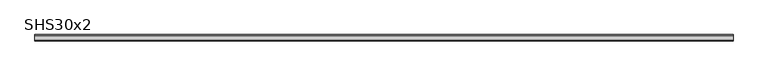
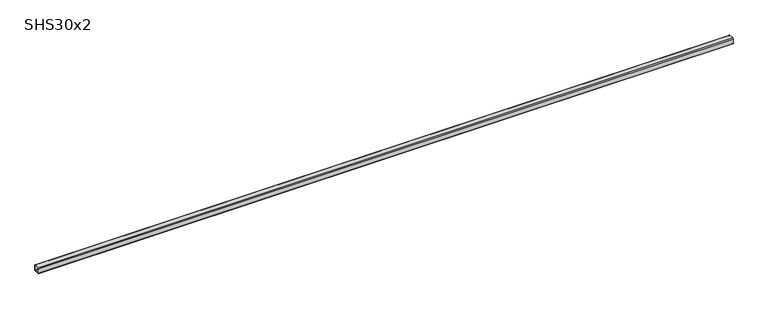
"""IFC4 building model written with IfcOpenShell, lengths in millimetres: beam geometry, SHS30x2."""

from ifc_helpers import new_model, si_unit, point, frame, frame_2d, origin, place, context, project, spatial, polyline, circle_curve, trimmed, segment, composite_curve, outline, extrude, source, transform, mapped, element, save


def shs30x2_304e9c3b(model_context):
    return source(origin(), model_context, "Body", "SweptSolid", [
        extrude(outline(composite_curve([segment(polyline([(15.0, 11.0), (15.0, -11.0)]), True, "CONTINUOUS"), segment(trimmed(circle_curve(frame_2d((11.0, -11.0)), 4.0), [point((15.0, -11.0))], [point((11.0, -15.0))], False, "CARTESIAN"), True, "CONTINUOUS"), segment(polyline([(11.0, -15.0), (-11.0, -15.0)]), True, "CONTINUOUS"), segment(trimmed(circle_curve(frame_2d((-11.0, -11.0)), 4.0), [point((-11.0, -15.0))], [point((-15.0, -11.0))], False, "CARTESIAN"), True, "CONTINUOUS"), segment(polyline([(-15.0, -11.0), (-15.0, 11.0)]), True, "CONTINUOUS"), segment(trimmed(circle_curve(frame_2d((-11.0, 11.0)), 4.0), [point((-15.0, 11.0))], [point((-11.0, 15.0))], False, "CARTESIAN"), True, "CONTINUOUS"), segment(polyline([(-11.0, 15.0), (11.0, 15.0)]), True, "CONTINUOUS"), segment(trimmed(circle_curve(frame_2d((11.0, 11.0)), 4.0), [point((11.0, 15.0))], [point((15.0, 11.0))], False, "CARTESIAN"), True, "CONTINUOUS")], self_intersect=False), holes=[composite_curve([segment(trimmed(circle_curve(frame_2d((-11.0, 11.0)), 2.0), [point((-11.0, 13.0))], [point((-13.0, 11.0))], True, "CARTESIAN"), True, "CONTINUOUS"), segment(polyline([(-13.0, 11.0), (-13.0, -11.0)]), True, "CONTINUOUS"), segment(trimmed(circle_curve(frame_2d((-11.0, -11.0)), 2.0), [point((-13.0, -11.0))], [point((-11.0, -13.0))], True, "CARTESIAN"), True, "CONTINUOUS"), segment(polyline([(-11.0, -13.0), (11.0, -13.0)]), True, "CONTINUOUS"), segment(trimmed(circle_curve(frame_2d((11.0, -11.0)), 2.0), [point((11.0, -13.0))], [point((13.0, -11.0))], True, "CARTESIAN"), True, "CONTINUOUS"), segment(polyline([(13.0, -11.0), (13.0, 11.0)]), True, "CONTINUOUS"), segment(trimmed(circle_curve(frame_2d((11.0, 11.0)), 2.0), [point((13.0, 11.0))], [point((11.0, 13.0))], True, "CARTESIAN"), True, "CONTINUOUS"), segment(polyline([(11.0, 13.0), (-11.0, 13.0)]), True, "CONTINUOUS")], self_intersect=False)]), frame((-1670.5, 0.0, 0.0), z_axis=(1.0, 0.0, 0.0), x_axis=(0.0, 1.0, 0.0)), (0.0, 0.0, 1.0), 3362.0),
    ])


if __name__ == "__main__":
    model = new_model("IFC4")
    model_context = context("Model", 3, world=origin())
    ifc_project = project(units=[si_unit("LENGTHUNIT", "METRE", prefix="MILLI")], contexts=[model_context])
    site = spatial("IfcSite", under=ifc_project)
    building = spatial("IfcBuilding", under=site)
    placement = place(None, origin())
    shs30x2_shape = shs30x2_304e9c3b(model_context)
    element("IfcBeam", 1, ObjectType="SHS30x2", at=placement, inside=building, context=model_context, shape_type="MappedRepresentation", body=[
        mapped(shs30x2_shape, transform((0.0, 0.0, 0.0), x_axis=(1.0, 0.0, 0.0), y_axis=(0.0, 1.0, 0.0), z_axis=(0.0, 0.0, 1.0))),
    ])
    save(model, "model.ifc")
